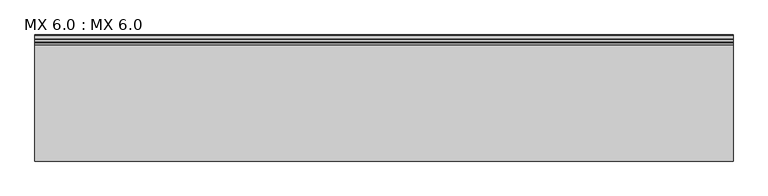
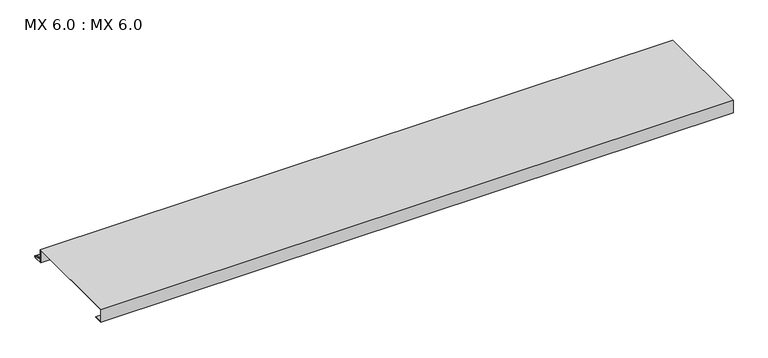
"""IFC4 building model written with IfcOpenShell, lengths in millimetres: proxy geometry, MX 6.0 : MX 6.0."""

from ifc_helpers import new_model, si_unit, point, frame, frame_2d, origin, place, context, project, spatial, polyline, circle_curve, trimmed, segment, composite_curve, outline, extrude, source, transform, mapped, element, save


def mx_6_0_mx_6_0_3474bdcf(model_context):
    return source(origin(), model_context, "Body", "SweptSolid", [
        extrude(outline(composite_curve([segment(polyline([(0.0, 0.0), (0.0, 38.0), (300.0, 38.0), (300.0, 0.0), (325.0510156, 0.0)]), True, "CONTINUOUS"), segment(trimmed(circle_curve(frame_2d((324.3094696, 1.9153551)), 2.0538928), [point((325.0510156, 0.0))], [point((325.1748462, 3.778041))], True, "CARTESIAN"), True, "CONTINUOUS"), segment(polyline([(325.1748462, 3.778041), (308.7874714, 6.923107)]), True, "CONTINUOUS"), segment(trimmed(circle_curve(frame_2d((309.4078886, 8.6005442)), 1.7884947), [point((308.7874714, 6.923107))], [point((308.9525789, 10.3301125))], False, "CARTESIAN"), True, "CONTINUOUS"), segment(polyline([(308.9525789, 10.3301125), (316.459338, 11.6715995), (316.635255, 10.6871945), (309.1762081, 9.3542338)]), True, "CONTINUOUS"), segment(trimmed(circle_curve(frame_2d((309.4078886, 8.6005442)), 0.7884947), [point((309.1762081, 9.3542338))], [point((309.0735117, 7.8864603))], True, "CARTESIAN"), True, "CONTINUOUS"), segment(polyline([(309.0735117, 7.8864603), (325.4722719, 4.7392091)]), True, "CONTINUOUS"), segment(trimmed(circle_curve(frame_2d((324.3094696, 1.9153551)), 3.0538928), [point((325.4722719, 4.7392091))], [point((325.2188462, -1.0))], False, "CARTESIAN"), True, "CONTINUOUS"), segment(polyline([(325.2188462, -1.0), (299.0, -1.0), (299.0, 37.0), (1.0, 37.0), (1.0, 1.0), (25.0, 1.0), (25.0, 0.0), (0.0, 0.0)]), True, "CONTINUOUS")], self_intersect=False)), frame((0.0, 0.0, 0.0), z_axis=(1.0, 0.0, 0.0), x_axis=(0.0, 1.0, 0.0)), (0.0, 0.0, 1.0), 1812.2237727),
    ])


if __name__ == "__main__":
    model = new_model("IFC4")
    model_context = context("Model", 3, world=origin())
    ifc_project = project(units=[si_unit("LENGTHUNIT", "METRE", prefix="MILLI")], contexts=[model_context])
    site = spatial("IfcSite", under=ifc_project)
    building = spatial("IfcBuilding", under=site)
    placement = place(None, origin())
    mx_6_0_mx_6_0_shape = mx_6_0_mx_6_0_3474bdcf(model_context)
    element("IfcBuildingElementProxy", 1, Name="MX 6.0 : MX 6.0", ObjectType="MX 6.0 : MX 6.0", at=placement, inside=building, context=model_context, shape_type="MappedRepresentation", body=[
        mapped(mx_6_0_mx_6_0_shape, transform((0.0, 0.0, 0.0), x_axis=(1.0, 0.0, 0.0), y_axis=(0.0, 1.0, 0.0), z_axis=(0.0, 0.0, 1.0))),
    ])
    save(model, "model.ifc")
